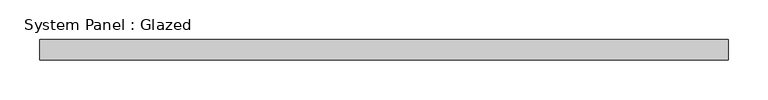
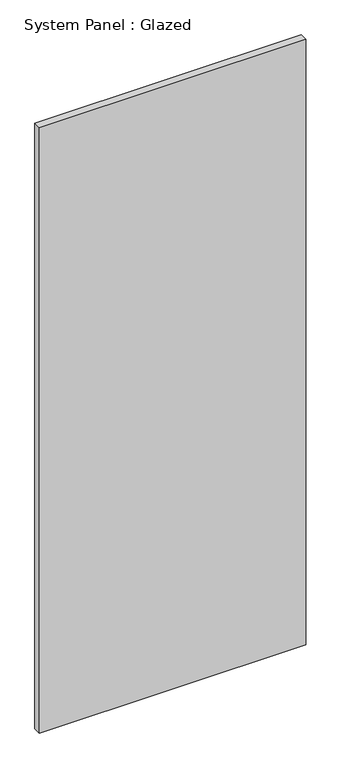
"""IFC4 building model written with IfcOpenShell, lengths in millimetres: plate geometry, System Panel : Glazed."""

import ifcopenshell
import ifcopenshell.guid

model = None  # the IFC model being written
_history = None  # IfcOwnerHistory: only IFC2X3 demands one
_inside = {}  # id of a spatial element -> (the spatial element, [elements in it])
_under = {}  # id of a project, library or spatial element -> (it, [spatial elements below it])
_declared = {}  # id of a project -> (the project, [libraries it declares])
_typed = {}  # id of a type object -> (the type object, [elements of that type])
_made_of = {}  # id of a material, layer set ... -> (it, [elements and type objects made of it])


def new_model(schema):
    """Start an empty IFC model of exactly this schema.

    Asked for "IFC4X3", IfcOpenShell would pick the latest addendum, in which some entities
    have other attributes; the version numbers below select the first issue.
    IFC2X3 requires an IfcOwnerHistory on every rooted entity: one is made here for all.
    """
    global model, _history
    if schema == "IFC4X3":
        model = ifcopenshell.file(schema_version=(4, 3, 0, 0))
    else:
        model = ifcopenshell.file(schema=schema)
    _inside.clear()
    _under.clear()
    _declared.clear()
    _typed.clear()
    _made_of.clear()
    _history = None
    if model.schema == "IFC2X3":
        org = make("IfcOrganization", Name="unknown")
        user = make(
            "IfcPersonAndOrganization",
            ThePerson=make("IfcPerson", FamilyName="unknown"),
            TheOrganization=org,
        )
        app = make(
            "IfcApplication",
            ApplicationDeveloper=org,
            Version="unknown",
            ApplicationFullName="unknown",
            ApplicationIdentifier="unknown",
        )
        _history = make(
            "IfcOwnerHistory",
            OwningUser=user,
            OwningApplication=app,
            ChangeAction="ADDED",
            CreationDate=0,
        )
    return model


def make(cls, **values):
    """One entity of the class cls with the attributes given. An attribute that is None is left unset."""
    return model.create_entity(
        cls, **{name: value for name, value in values.items() if value is not None}
    )


def rooted(cls, **values):
    """An entity with a GlobalId (a new one), such as an element, a storey or a relation."""
    return make(cls, GlobalId=ifcopenshell.guid.new(), OwnerHistory=_history, **values)


def si_unit(unit_type, name, prefix=None):
    """IfcSIUnit, for example si_unit("LENGTHUNIT", "METRE", prefix="MILLI")."""
    return make("IfcSIUnit", UnitType=unit_type, Prefix=prefix, Name=name)


def assignment(units):
    """IfcUnitAssignment: the units of a project."""
    return None if units is None else make("IfcUnitAssignment", Units=units)


def point(xyz):
    """IfcCartesianPoint."""
    return None if xyz is None else make("IfcCartesianPoint", Coordinates=xyz)


def direction(xyz):
    """IfcDirection."""
    return None if xyz is None else make("IfcDirection", DirectionRatios=xyz)


def frame(location, z_axis=None, x_axis=None):
    """IfcAxis2Placement3D, a coordinate frame: its origin and axes. An axis left out is left unset."""
    return make(
        "IfcAxis2Placement3D",
        Location=point(location),
        Axis=direction(z_axis),
        RefDirection=direction(x_axis),
    )


def origin():
    """The frame at (0, 0, 0) with its axes left unset."""
    return frame((0.0, 0.0, 0.0))


def origin_with_axes():
    """The frame at (0, 0, 0) with the z axis (0, 0, 1) and the x axis (1, 0, 0) written out."""
    return frame((0.0, 0.0, 0.0), z_axis=(0.0, 0.0, 1.0), x_axis=(1.0, 0.0, 0.0))


def place(relative_to, where):
    """IfcLocalPlacement: puts the frame where relative to a parent placement (None: the world)."""
    return make(
        "IfcLocalPlacement", PlacementRelTo=relative_to, RelativePlacement=where
    )


def context(
    kind, dimensions, precision=None, world=None, true_north=None, identifier=None
):
    """IfcGeometricRepresentationContext, for example the 3D "Model" context."""
    return make(
        "IfcGeometricRepresentationContext",
        ContextIdentifier=identifier,
        ContextType=kind,
        CoordinateSpaceDimension=dimensions,
        Precision=precision,
        WorldCoordinateSystem=world,
        TrueNorth=true_north,
    )


def project(units=None, contexts=None):
    """IfcProject with its units and contexts."""
    return rooted(
        "IfcProject",
        Name="project",
        RepresentationContexts=contexts,
        UnitsInContext=assignment(units),
    )


def spatial(cls, under=None, at=None, **own):
    """A site, building, storey or space (cls), placed at a placement, below another one or the project."""
    s = rooted(cls, ObjectPlacement=at, **own)
    if under is not None:
        _under.setdefault(under.id(), (under, []))[1].append(s)
    return s


def polyline(points):
    """IfcPolyline through the points."""
    return make("IfcPolyline", Points=[point(p) for p in points])


def outline(outer, holes=None, kind="AREA"):
    """IfcArbitraryClosedProfileDef: a profile drawn as a closed curve; with holes, ...WithVoids."""
    if holes is None:
        return make("IfcArbitraryClosedProfileDef", ProfileType=kind, OuterCurve=outer)
    return make(
        "IfcArbitraryProfileDefWithVoids",
        ProfileType=kind,
        OuterCurve=outer,
        InnerCurves=holes,
    )


def extrude(swept, where, along, depth):
    """IfcExtrudedAreaSolid: the profile swept, set in the frame where, extruded along a direction by depth."""
    return make(
        "IfcExtrudedAreaSolid",
        SweptArea=swept,
        Position=where,
        ExtrudedDirection=direction(along),
        Depth=depth,
    )


def shape(context_of_items, identifier, shape_type, items):
    """IfcShapeRepresentation: the items that make up one representation, for example the "Body"."""
    return make(
        "IfcShapeRepresentation",
        ContextOfItems=context_of_items,
        RepresentationIdentifier=identifier,
        RepresentationType=shape_type,
        Items=items,
    )


def source(mapping_origin, context_of_items, identifier, shape_type, items):
    """IfcRepresentationMap: a shape defined once, which mapped items show again and again."""
    return make(
        "IfcRepresentationMap",
        MappingOrigin=mapping_origin,
        MappedRepresentation=shape(context_of_items, identifier, shape_type, items),
    )


def transform(
    local_origin,
    x_axis=None,
    y_axis=None,
    z_axis=None,
    scale=None,
    scale2=None,
    scale3=None,
    uniform=True,
):
    """IfcCartesianTransformationOperator3D, or its non-uniform kind. x_axis, y_axis, z_axis: its Axis1, 2, 3."""
    if uniform:
        return make(
            "IfcCartesianTransformationOperator3D",
            Axis1=direction(x_axis),
            Axis2=direction(y_axis),
            LocalOrigin=point(local_origin),
            Scale=scale,
            Axis3=direction(z_axis),
        )
    return make(
        "IfcCartesianTransformationOperator3DnonUniform",
        Axis1=direction(x_axis),
        Axis2=direction(y_axis),
        LocalOrigin=point(local_origin),
        Scale=scale,
        Axis3=direction(z_axis),
        Scale2=scale2,
        Scale3=scale3,
    )


def mapped(mapping_source, mapping_target):
    """IfcMappedItem: shows the shape of a source again, moved by a transform."""
    return make(
        "IfcMappedItem", MappingSource=mapping_source, MappingTarget=mapping_target
    )


def made_of(thing, what):
    """Note that an element or type object is made of a material, layer set ...; save() writes the relation."""
    if what is not None:
        _made_of.setdefault(what.id(), (what, []))[1].append(thing)
    return thing


def element(
    cls,
    number,
    at=None,
    inside=None,
    cuts=None,
    type_object=None,
    material=None,
    context=None,
    identifier="Body",
    shape_type=None,
    held_by="IfcProductDefinitionShape",
    body=None,
    shapes=None,
    **own,
):
    """One element of the class cls, such as IfcWall. Its Tag is "e" and its number.

    at: its placement. inside: the storey or other place that contains it. cuts: it is an
    opening in that element (IfcRelVoidsElement). A single representation is given by context,
    identifier, shape_type and body (its items); several are given by shapes. held_by: the class
    of the entity that holds the representations. save() writes the other relations.
    """
    e = rooted(cls, Tag="e%d" % number, ObjectPlacement=at, **own)
    if body is not None:
        shapes = [shape(context, identifier, shape_type, body)]
    if shapes is not None:
        e.Representation = make(held_by, Representations=shapes)
    if inside is not None:
        _inside.setdefault(inside.id(), (inside, []))[1].append(e)
    if cuts is not None:
        rooted(
            "IfcRelVoidsElement", RelatingBuildingElement=cuts, RelatedOpeningElement=e
        )
    if type_object is not None:
        _typed.setdefault(type_object.id(), (type_object, []))[1].append(e)
    return made_of(e, material)


def aggregate(whole, parts):
    """IfcRelAggregates: a whole, such as a stair, and the parts it consists of."""
    return rooted("IfcRelAggregates", RelatingObject=whole, RelatedObjects=parts)


def save(model, path):
    """Write the relations noted so far, then the file.

    IfcRelAggregates (storeys below a building ...), IfcRelContainedInSpatialStructure (elements
    in a storey), IfcRelDefinesByType, IfcRelAssociatesMaterial and IfcRelDeclares: one each for
    every whole, place, type object, material and project.
    """
    for whole, parts in _under.values():
        aggregate(whole, parts)
    for where, things in _inside.values():
        rooted(
            "IfcRelContainedInSpatialStructure",
            RelatedElements=things,
            RelatingStructure=where,
        )
    for kind, things in _typed.values():
        rooted("IfcRelDefinesByType", RelatedObjects=things, RelatingType=kind)
    for what, things in _made_of.values():
        rooted("IfcRelAssociatesMaterial", RelatedObjects=things, RelatingMaterial=what)
    for by, libraries in _declared.values():
        rooted("IfcRelDeclares", RelatingContext=by, RelatedDefinitions=libraries)
    model.write(path)


def system_panel_glazed_7c6cdca9(model_context):
    return source(origin(), model_context, "Body", "SweptSolid", [
        extrude(outline(polyline([(432.1709573, 19.05), (-432.1709573, 19.05), (-432.1709573, 44.45), (432.1709573, 44.45), (432.1709573, 19.05)])), origin_with_axes(), (0.0, 0.0, 1.0), 2076.45),
    ])


if __name__ == "__main__":
    model = new_model("IFC4")
    model_context = context("Model", 3, world=origin())
    ifc_project = project(units=[si_unit("LENGTHUNIT", "METRE", prefix="MILLI")], contexts=[model_context])
    site = spatial("IfcSite", under=ifc_project)
    building = spatial("IfcBuilding", under=site)
    placement = place(None, origin())
    system_panel_glazed_shape = system_panel_glazed_7c6cdca9(model_context)
    element("IfcPlate", 1, ObjectType="System Panel : Glazed", at=placement, inside=building, context=model_context, shape_type="MappedRepresentation", body=[
        mapped(system_panel_glazed_shape, transform((0.0, 0.0, 0.0), x_axis=(1.0, 0.0, 0.0), y_axis=(0.0, 1.0, 0.0), z_axis=(0.0, 0.0, 1.0))),
    ])
    save(model, "model.ifc")
